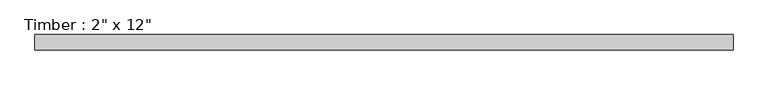
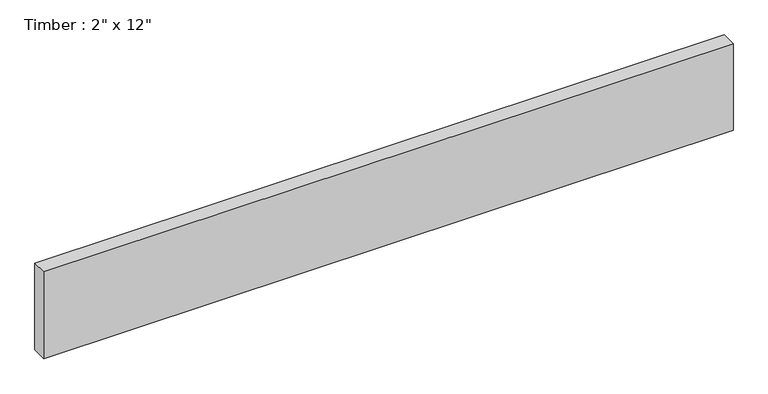
"""IFC4 building model written with IfcOpenShell, lengths in millimetres: beam geometry."""

import ifcopenshell
import ifcopenshell.guid

model = None  # the IFC model being written
_history = None  # IfcOwnerHistory: only IFC2X3 demands one
_inside = {}  # id of a spatial element -> (the spatial element, [elements in it])
_under = {}  # id of a project, library or spatial element -> (it, [spatial elements below it])
_declared = {}  # id of a project -> (the project, [libraries it declares])
_typed = {}  # id of a type object -> (the type object, [elements of that type])
_made_of = {}  # id of a material, layer set ... -> (it, [elements and type objects made of it])


def new_model(schema):
    """Start an empty IFC model of exactly this schema.

    Asked for "IFC4X3", IfcOpenShell would pick the latest addendum, in which some entities
    have other attributes; the version numbers below select the first issue.
    IFC2X3 requires an IfcOwnerHistory on every rooted entity: one is made here for all.
    """
    global model, _history
    if schema == "IFC4X3":
        model = ifcopenshell.file(schema_version=(4, 3, 0, 0))
    else:
        model = ifcopenshell.file(schema=schema)
    _inside.clear()
    _under.clear()
    _declared.clear()
    _typed.clear()
    _made_of.clear()
    _history = None
    if model.schema == "IFC2X3":
        org = make("IfcOrganization", Name="unknown")
        user = make(
            "IfcPersonAndOrganization",
            ThePerson=make("IfcPerson", FamilyName="unknown"),
            TheOrganization=org,
        )
        app = make(
            "IfcApplication",
            ApplicationDeveloper=org,
            Version="unknown",
            ApplicationFullName="unknown",
            ApplicationIdentifier="unknown",
        )
        _history = make(
            "IfcOwnerHistory",
            OwningUser=user,
            OwningApplication=app,
            ChangeAction="ADDED",
            CreationDate=0,
        )
    return model


def make(cls, **values):
    """One entity of the class cls with the attributes given. An attribute that is None is left unset."""
    return model.create_entity(
        cls, **{name: value for name, value in values.items() if value is not None}
    )


def rooted(cls, **values):
    """An entity with a GlobalId (a new one), such as an element, a storey or a relation."""
    return make(cls, GlobalId=ifcopenshell.guid.new(), OwnerHistory=_history, **values)


def si_unit(unit_type, name, prefix=None):
    """IfcSIUnit, for example si_unit("LENGTHUNIT", "METRE", prefix="MILLI")."""
    return make("IfcSIUnit", UnitType=unit_type, Prefix=prefix, Name=name)


def assignment(units):
    """IfcUnitAssignment: the units of a project."""
    return None if units is None else make("IfcUnitAssignment", Units=units)


def point(xyz):
    """IfcCartesianPoint."""
    return None if xyz is None else make("IfcCartesianPoint", Coordinates=xyz)


def direction(xyz):
    """IfcDirection."""
    return None if xyz is None else make("IfcDirection", DirectionRatios=xyz)


def frame(location, z_axis=None, x_axis=None):
    """IfcAxis2Placement3D, a coordinate frame: its origin and axes. An axis left out is left unset."""
    return make(
        "IfcAxis2Placement3D",
        Location=point(location),
        Axis=direction(z_axis),
        RefDirection=direction(x_axis),
    )


def origin():
    """The frame at (0, 0, 0) with its axes left unset."""
    return frame((0.0, 0.0, 0.0))


def place(relative_to, where):
    """IfcLocalPlacement: puts the frame where relative to a parent placement (None: the world)."""
    return make(
        "IfcLocalPlacement", PlacementRelTo=relative_to, RelativePlacement=where
    )


def context(
    kind, dimensions, precision=None, world=None, true_north=None, identifier=None
):
    """IfcGeometricRepresentationContext, for example the 3D "Model" context."""
    return make(
        "IfcGeometricRepresentationContext",
        ContextIdentifier=identifier,
        ContextType=kind,
        CoordinateSpaceDimension=dimensions,
        Precision=precision,
        WorldCoordinateSystem=world,
        TrueNorth=true_north,
    )


def project(units=None, contexts=None):
    """IfcProject with its units and contexts."""
    return rooted(
        "IfcProject",
        Name="project",
        RepresentationContexts=contexts,
        UnitsInContext=assignment(units),
    )


def spatial(cls, under=None, at=None, **own):
    """A site, building, storey or space (cls), placed at a placement, below another one or the project."""
    s = rooted(cls, ObjectPlacement=at, **own)
    if under is not None:
        _under.setdefault(under.id(), (under, []))[1].append(s)
    return s


def polyline(points):
    """IfcPolyline through the points."""
    return make("IfcPolyline", Points=[point(p) for p in points])


def outline(outer, holes=None, kind="AREA"):
    """IfcArbitraryClosedProfileDef: a profile drawn as a closed curve; with holes, ...WithVoids."""
    if holes is None:
        return make("IfcArbitraryClosedProfileDef", ProfileType=kind, OuterCurve=outer)
    return make(
        "IfcArbitraryProfileDefWithVoids",
        ProfileType=kind,
        OuterCurve=outer,
        InnerCurves=holes,
    )


def extrude(swept, where, along, depth):
    """IfcExtrudedAreaSolid: the profile swept, set in the frame where, extruded along a direction by depth."""
    return make(
        "IfcExtrudedAreaSolid",
        SweptArea=swept,
        Position=where,
        ExtrudedDirection=direction(along),
        Depth=depth,
    )


def shape(context_of_items, identifier, shape_type, items):
    """IfcShapeRepresentation: the items that make up one representation, for example the "Body"."""
    return make(
        "IfcShapeRepresentation",
        ContextOfItems=context_of_items,
        RepresentationIdentifier=identifier,
        RepresentationType=shape_type,
        Items=items,
    )


def source(mapping_origin, context_of_items, identifier, shape_type, items):
    """IfcRepresentationMap: a shape defined once, which mapped items show again and again."""
    return make(
        "IfcRepresentationMap",
        MappingOrigin=mapping_origin,
        MappedRepresentation=shape(context_of_items, identifier, shape_type, items),
    )


def transform(
    local_origin,
    x_axis=None,
    y_axis=None,
    z_axis=None,
    scale=None,
    scale2=None,
    scale3=None,
    uniform=True,
):
    """IfcCartesianTransformationOperator3D, or its non-uniform kind. x_axis, y_axis, z_axis: its Axis1, 2, 3."""
    if uniform:
        return make(
            "IfcCartesianTransformationOperator3D",
            Axis1=direction(x_axis),
            Axis2=direction(y_axis),
            LocalOrigin=point(local_origin),
            Scale=scale,
            Axis3=direction(z_axis),
        )
    return make(
        "IfcCartesianTransformationOperator3DnonUniform",
        Axis1=direction(x_axis),
        Axis2=direction(y_axis),
        LocalOrigin=point(local_origin),
        Scale=scale,
        Axis3=direction(z_axis),
        Scale2=scale2,
        Scale3=scale3,
    )


def mapped(mapping_source, mapping_target):
    """IfcMappedItem: shows the shape of a source again, moved by a transform."""
    return make(
        "IfcMappedItem", MappingSource=mapping_source, MappingTarget=mapping_target
    )


def made_of(thing, what):
    """Note that an element or type object is made of a material, layer set ...; save() writes the relation."""
    if what is not None:
        _made_of.setdefault(what.id(), (what, []))[1].append(thing)
    return thing


def element(
    cls,
    number,
    at=None,
    inside=None,
    cuts=None,
    type_object=None,
    material=None,
    context=None,
    identifier="Body",
    shape_type=None,
    held_by="IfcProductDefinitionShape",
    body=None,
    shapes=None,
    **own,
):
    """One element of the class cls, such as IfcWall. Its Tag is "e" and its number.

    at: its placement. inside: the storey or other place that contains it. cuts: it is an
    opening in that element (IfcRelVoidsElement). A single representation is given by context,
    identifier, shape_type and body (its items); several are given by shapes. held_by: the class
    of the entity that holds the representations. save() writes the other relations.
    """
    e = rooted(cls, Tag="e%d" % number, ObjectPlacement=at, **own)
    if body is not None:
        shapes = [shape(context, identifier, shape_type, body)]
    if shapes is not None:
        e.Representation = make(held_by, Representations=shapes)
    if inside is not None:
        _inside.setdefault(inside.id(), (inside, []))[1].append(e)
    if cuts is not None:
        rooted(
            "IfcRelVoidsElement", RelatingBuildingElement=cuts, RelatedOpeningElement=e
        )
    if type_object is not None:
        _typed.setdefault(type_object.id(), (type_object, []))[1].append(e)
    return made_of(e, material)


def aggregate(whole, parts):
    """IfcRelAggregates: a whole, such as a stair, and the parts it consists of."""
    return rooted("IfcRelAggregates", RelatingObject=whole, RelatedObjects=parts)


def save(model, path):
    """Write the relations noted so far, then the file.

    IfcRelAggregates (storeys below a building ...), IfcRelContainedInSpatialStructure (elements
    in a storey), IfcRelDefinesByType, IfcRelAssociatesMaterial and IfcRelDeclares: one each for
    every whole, place, type object, material and project.
    """
    for whole, parts in _under.values():
        aggregate(whole, parts)
    for where, things in _inside.values():
        rooted(
            "IfcRelContainedInSpatialStructure",
            RelatedElements=things,
            RelatingStructure=where,
        )
    for kind, things in _typed.values():
        rooted("IfcRelDefinesByType", RelatedObjects=things, RelatingType=kind)
    for what, things in _made_of.values():
        rooted("IfcRelAssociatesMaterial", RelatedObjects=things, RelatingMaterial=what)
    for by, libraries in _declared.values():
        rooted("IfcRelDeclares", RelatingContext=by, RelatedDefinitions=libraries)
    model.write(path)


def beam_28f4019e(model_context):
    return source(origin(), model_context, "Body", "SweptSolid", [
        extrude(outline(polyline([(1146.1887149, 25.4), (1146.1887149, -25.4), (-1144.7296299, -25.4), (-1144.7296299, 25.4), (1146.1887149, 25.4)])), frame((0.0, 0.0, -152.4), z_axis=(0.0, 0.0, 1.0), x_axis=(1.0, 0.0, 0.0)), (0.0, 0.0, 1.0), 304.8),
    ])


if __name__ == "__main__":
    model = new_model("IFC4")
    model_context = context("Model", 3, world=origin())
    ifc_project = project(units=[si_unit("LENGTHUNIT", "METRE", prefix="MILLI")], contexts=[model_context])
    site = spatial("IfcSite", under=ifc_project)
    building = spatial("IfcBuilding", under=site)
    placement = place(None, origin())
    beam_shape = beam_28f4019e(model_context)
    element("IfcBeam", 1, ObjectType="Timber : 2\" x 12\"", at=placement, inside=building, context=model_context, shape_type="MappedRepresentation", body=[
        mapped(beam_shape, transform((0.0, 0.0, 0.0), x_axis=(1.0, 0.0, 0.0), y_axis=(0.0, 1.0, 0.0), z_axis=(0.0, 0.0, 1.0))),
    ])
    save(model, "model.ifc")
